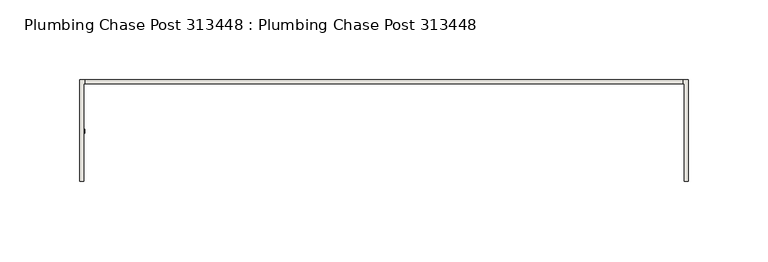
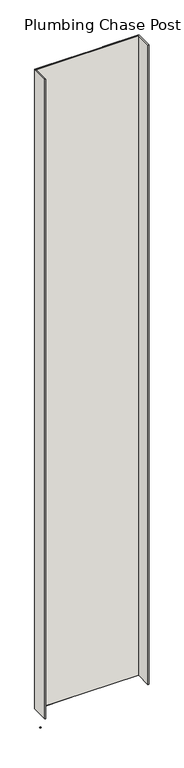
"""IFC4 building model written with IfcOpenShell, lengths in millimetres: wall geometry, Plumbing Chase Post 313448 : Plumbing Chase Post 313448."""

import ifcopenshell
import ifcopenshell.guid

model = None  # the IFC model being written
_history = None  # IfcOwnerHistory: only IFC2X3 demands one
_inside = {}  # id of a spatial element -> (the spatial element, [elements in it])
_under = {}  # id of a project, library or spatial element -> (it, [spatial elements below it])
_declared = {}  # id of a project -> (the project, [libraries it declares])
_typed = {}  # id of a type object -> (the type object, [elements of that type])
_made_of = {}  # id of a material, layer set ... -> (it, [elements and type objects made of it])


def new_model(schema):
    """Start an empty IFC model of exactly this schema.

    Asked for "IFC4X3", IfcOpenShell would pick the latest addendum, in which some entities
    have other attributes; the version numbers below select the first issue.
    IFC2X3 requires an IfcOwnerHistory on every rooted entity: one is made here for all.
    """
    global model, _history
    if schema == "IFC4X3":
        model = ifcopenshell.file(schema_version=(4, 3, 0, 0))
    else:
        model = ifcopenshell.file(schema=schema)
    _inside.clear()
    _under.clear()
    _declared.clear()
    _typed.clear()
    _made_of.clear()
    _history = None
    if model.schema == "IFC2X3":
        org = make("IfcOrganization", Name="unknown")
        user = make(
            "IfcPersonAndOrganization",
            ThePerson=make("IfcPerson", FamilyName="unknown"),
            TheOrganization=org,
        )
        app = make(
            "IfcApplication",
            ApplicationDeveloper=org,
            Version="unknown",
            ApplicationFullName="unknown",
            ApplicationIdentifier="unknown",
        )
        _history = make(
            "IfcOwnerHistory",
            OwningUser=user,
            OwningApplication=app,
            ChangeAction="ADDED",
            CreationDate=0,
        )
    return model


def make(cls, **values):
    """One entity of the class cls with the attributes given. An attribute that is None is left unset."""
    return model.create_entity(
        cls, **{name: value for name, value in values.items() if value is not None}
    )


def rooted(cls, **values):
    """An entity with a GlobalId (a new one), such as an element, a storey or a relation."""
    return make(cls, GlobalId=ifcopenshell.guid.new(), OwnerHistory=_history, **values)


def si_unit(unit_type, name, prefix=None):
    """IfcSIUnit, for example si_unit("LENGTHUNIT", "METRE", prefix="MILLI")."""
    return make("IfcSIUnit", UnitType=unit_type, Prefix=prefix, Name=name)


def assignment(units):
    """IfcUnitAssignment: the units of a project."""
    return None if units is None else make("IfcUnitAssignment", Units=units)


def point(xyz):
    """IfcCartesianPoint."""
    return None if xyz is None else make("IfcCartesianPoint", Coordinates=xyz)


def direction(xyz):
    """IfcDirection."""
    return None if xyz is None else make("IfcDirection", DirectionRatios=xyz)


def frame(location, z_axis=None, x_axis=None):
    """IfcAxis2Placement3D, a coordinate frame: its origin and axes. An axis left out is left unset."""
    return make(
        "IfcAxis2Placement3D",
        Location=point(location),
        Axis=direction(z_axis),
        RefDirection=direction(x_axis),
    )


def origin():
    """The frame at (0, 0, 0) with its axes left unset."""
    return frame((0.0, 0.0, 0.0))


def place(relative_to, where):
    """IfcLocalPlacement: puts the frame where relative to a parent placement (None: the world)."""
    return make(
        "IfcLocalPlacement", PlacementRelTo=relative_to, RelativePlacement=where
    )


def context(
    kind, dimensions, precision=None, world=None, true_north=None, identifier=None
):
    """IfcGeometricRepresentationContext, for example the 3D "Model" context."""
    return make(
        "IfcGeometricRepresentationContext",
        ContextIdentifier=identifier,
        ContextType=kind,
        CoordinateSpaceDimension=dimensions,
        Precision=precision,
        WorldCoordinateSystem=world,
        TrueNorth=true_north,
    )


def project(units=None, contexts=None):
    """IfcProject with its units and contexts."""
    return rooted(
        "IfcProject",
        Name="project",
        RepresentationContexts=contexts,
        UnitsInContext=assignment(units),
    )


def spatial(cls, under=None, at=None, **own):
    """A site, building, storey or space (cls), placed at a placement, below another one or the project."""
    s = rooted(cls, ObjectPlacement=at, **own)
    if under is not None:
        _under.setdefault(under.id(), (under, []))[1].append(s)
    return s


def polyline(points):
    """IfcPolyline through the points."""
    return make("IfcPolyline", Points=[point(p) for p in points])


def outline(outer, holes=None, kind="AREA"):
    """IfcArbitraryClosedProfileDef: a profile drawn as a closed curve; with holes, ...WithVoids."""
    if holes is None:
        return make("IfcArbitraryClosedProfileDef", ProfileType=kind, OuterCurve=outer)
    return make(
        "IfcArbitraryProfileDefWithVoids",
        ProfileType=kind,
        OuterCurve=outer,
        InnerCurves=holes,
    )


def extrude(swept, where, along, depth):
    """IfcExtrudedAreaSolid: the profile swept, set in the frame where, extruded along a direction by depth."""
    return make(
        "IfcExtrudedAreaSolid",
        SweptArea=swept,
        Position=where,
        ExtrudedDirection=direction(along),
        Depth=depth,
    )


def shape(context_of_items, identifier, shape_type, items):
    """IfcShapeRepresentation: the items that make up one representation, for example the "Body"."""
    return make(
        "IfcShapeRepresentation",
        ContextOfItems=context_of_items,
        RepresentationIdentifier=identifier,
        RepresentationType=shape_type,
        Items=items,
    )


def source(mapping_origin, context_of_items, identifier, shape_type, items):
    """IfcRepresentationMap: a shape defined once, which mapped items show again and again."""
    return make(
        "IfcRepresentationMap",
        MappingOrigin=mapping_origin,
        MappedRepresentation=shape(context_of_items, identifier, shape_type, items),
    )


def transform(
    local_origin,
    x_axis=None,
    y_axis=None,
    z_axis=None,
    scale=None,
    scale2=None,
    scale3=None,
    uniform=True,
):
    """IfcCartesianTransformationOperator3D, or its non-uniform kind. x_axis, y_axis, z_axis: its Axis1, 2, 3."""
    if uniform:
        return make(
            "IfcCartesianTransformationOperator3D",
            Axis1=direction(x_axis),
            Axis2=direction(y_axis),
            LocalOrigin=point(local_origin),
            Scale=scale,
            Axis3=direction(z_axis),
        )
    return make(
        "IfcCartesianTransformationOperator3DnonUniform",
        Axis1=direction(x_axis),
        Axis2=direction(y_axis),
        LocalOrigin=point(local_origin),
        Scale=scale,
        Axis3=direction(z_axis),
        Scale2=scale2,
        Scale3=scale3,
    )


def mapped(mapping_source, mapping_target):
    """IfcMappedItem: shows the shape of a source again, moved by a transform."""
    return make(
        "IfcMappedItem", MappingSource=mapping_source, MappingTarget=mapping_target
    )


def made_of(thing, what):
    """Note that an element or type object is made of a material, layer set ...; save() writes the relation."""
    if what is not None:
        _made_of.setdefault(what.id(), (what, []))[1].append(thing)
    return thing


def element(
    cls,
    number,
    at=None,
    inside=None,
    cuts=None,
    type_object=None,
    material=None,
    context=None,
    identifier="Body",
    shape_type=None,
    held_by="IfcProductDefinitionShape",
    body=None,
    shapes=None,
    **own,
):
    """One element of the class cls, such as IfcWall. Its Tag is "e" and its number.

    at: its placement. inside: the storey or other place that contains it. cuts: it is an
    opening in that element (IfcRelVoidsElement). A single representation is given by context,
    identifier, shape_type and body (its items); several are given by shapes. held_by: the class
    of the entity that holds the representations. save() writes the other relations.
    """
    e = rooted(cls, Tag="e%d" % number, ObjectPlacement=at, **own)
    if body is not None:
        shapes = [shape(context, identifier, shape_type, body)]
    if shapes is not None:
        e.Representation = make(held_by, Representations=shapes)
    if inside is not None:
        _inside.setdefault(inside.id(), (inside, []))[1].append(e)
    if cuts is not None:
        rooted(
            "IfcRelVoidsElement", RelatingBuildingElement=cuts, RelatedOpeningElement=e
        )
    if type_object is not None:
        _typed.setdefault(type_object.id(), (type_object, []))[1].append(e)
    return made_of(e, material)


def aggregate(whole, parts):
    """IfcRelAggregates: a whole, such as a stair, and the parts it consists of."""
    return rooted("IfcRelAggregates", RelatingObject=whole, RelatedObjects=parts)


def save(model, path):
    """Write the relations noted so far, then the file.

    IfcRelAggregates (storeys below a building ...), IfcRelContainedInSpatialStructure (elements
    in a storey), IfcRelDefinesByType, IfcRelAssociatesMaterial and IfcRelDeclares: one each for
    every whole, place, type object, material and project.
    """
    for whole, parts in _under.values():
        aggregate(whole, parts)
    for where, things in _inside.values():
        rooted(
            "IfcRelContainedInSpatialStructure",
            RelatedElements=things,
            RelatingStructure=where,
        )
    for kind, things in _typed.values():
        rooted("IfcRelDefinesByType", RelatedObjects=things, RelatingType=kind)
    for what, things in _made_of.values():
        rooted("IfcRelAssociatesMaterial", RelatedObjects=things, RelatingMaterial=what)
    for by, libraries in _declared.values():
        rooted("IfcRelDeclares", RelatingContext=by, RelatedDefinitions=libraries)
    model.write(path)


def plumbing_chase_post_313448_plumbing_chase_post_313448_832b96d3(model_context):
    return source(origin(), model_context, "Body", "SweptSolid", [
        extrude(outline(polyline([(71943.055504, -53335.9245954), (71940.515504, -53335.9245954), (71940.515504, -53333.3845954), (71943.055504, -53333.3845954), (71943.055504, -53335.9245954)])), frame((0.0, 0.0, 4419.6), z_axis=(0.0, 0.0, 1.0), x_axis=(1.0, 0.0, 0.0)), (0.0, 0.0, 1.0), 2.54),
        extrude(outline(polyline([(71943.2117648, -53302.6627366), (72318.8291492, -53302.6627366), (72318.8291492, -53305.329254), (71943.2117648, -53305.329254), (71943.2117648, -53302.6627366)])), frame((0.0, 0.0, 4474.8958), z_axis=(0.0, 0.0, 1.0), x_axis=(1.0, 0.0, 0.0)), (0.0, 0.0, 1.0), 2481.1482254),
        extrude(outline(polyline([(71943.2117648, -53302.6627366), (72318.8291492, -53302.6627366), (72318.8291492, -53305.329254), (71943.2117648, -53305.329254), (71943.2117648, -53302.6627366)])), frame((0.0, 0.0, 4474.8958), z_axis=(0.0, 0.0, 1.0), x_axis=(1.0, 0.0, 0.0)), (0.0, 0.0, 1.0), 2481.1482254),
        extrude(outline(polyline([(71939.7577204, -53302.6627366), (72073.1077204, -53302.6627366), (72073.1077204, -53305.329254), (71942.4242124, -53305.329254), (71942.4242124, -53366.6712446), (71939.7577204, -53366.6712446), (71939.7577204, -53302.6627366)])), frame((0.0, 0.0, 4474.8958), z_axis=(0.0, 0.0, 1.0), x_axis=(1.0, 0.0, 0.0)), (0.0, 0.0, 1.0), 2481.1482254),
        extrude(outline(polyline([(71939.7577204, -53302.6627366), (72073.1077204, -53302.6627366), (72073.1077204, -53305.329254), (71942.4242124, -53305.329254), (71942.4242124, -53366.6712446), (71939.7577204, -53366.6712446), (71939.7577204, -53302.6627366)])), frame((0.0, 0.0, 4474.8958), z_axis=(0.0, 0.0, 1.0), x_axis=(1.0, 0.0, 0.0)), (0.0, 0.0, 1.0), 2481.1482254),
        extrude(outline(polyline([(72188.9084032, -53305.329254), (72188.9084032, -53302.6627366), (72322.2584032, -53302.6627366), (72322.2584032, -53366.6712446), (72319.5918858, -53366.6712446), (72319.6167016, -53305.329254), (72188.9084032, -53305.329254)])), frame((0.0, 0.0, 4474.8958), z_axis=(0.0, 0.0, 1.0), x_axis=(1.0, 0.0, 0.0)), (0.0, 0.0, 1.0), 2481.1482254),
        extrude(outline(polyline([(72188.9084032, -53305.329254), (72188.9084032, -53302.6627366), (72322.2584032, -53302.6627366), (72322.2584032, -53366.6712446), (72319.5918858, -53366.6712446), (72319.6167016, -53305.329254), (72188.9084032, -53305.329254)])), frame((0.0, 0.0, 4474.8958), z_axis=(0.0, 0.0, 1.0), x_axis=(1.0, 0.0, 0.0)), (0.0, 0.0, 1.0), 2481.1482254),
    ])


if __name__ == "__main__":
    model = new_model("IFC4")
    model_context = context("Model", 3, world=origin())
    ifc_project = project(units=[si_unit("LENGTHUNIT", "METRE", prefix="MILLI")], contexts=[model_context])
    site = spatial("IfcSite", under=ifc_project)
    building = spatial("IfcBuilding", under=site)
    placement = place(None, origin())
    plumbing_chase_post_313448_plumbing_chase_post_313448_shape = plumbing_chase_post_313448_plumbing_chase_post_313448_832b96d3(model_context)
    element("IfcWall", 1, ObjectType="Plumbing Chase Post 313448 : Plumbing Chase Post 313448", at=placement, inside=building, context=model_context, shape_type="MappedRepresentation", body=[
        mapped(plumbing_chase_post_313448_plumbing_chase_post_313448_shape, transform((0.0, 0.0, 0.0), x_axis=(1.0, 0.0, 0.0), y_axis=(0.0, 1.0, 0.0), z_axis=(0.0, 0.0, 1.0))),
    ])
    save(model, "model.ifc")
